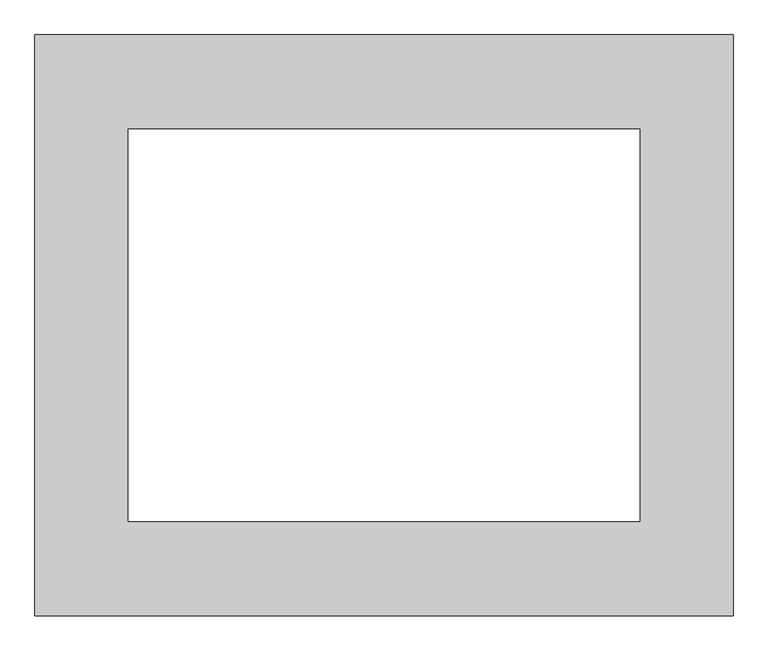
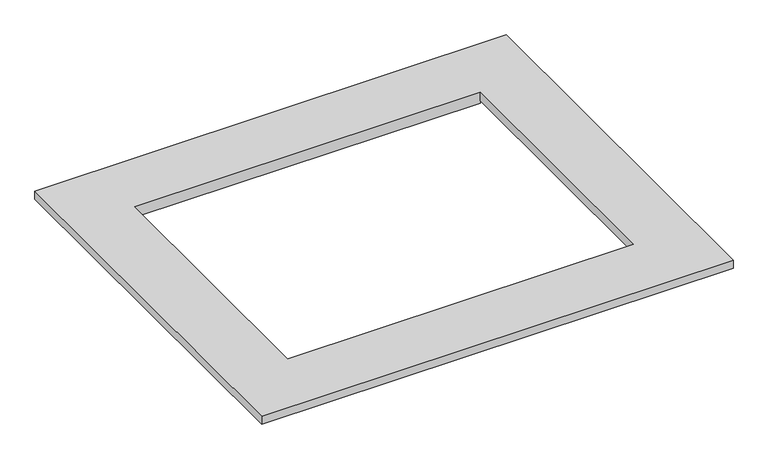
"""IFC4 building model written with IfcOpenShell, lengths in millimetres: proxy geometry."""

from ifc_helpers import new_model, si_unit, origin, place, context, project, spatial, faceted_brep, source, transform, mapped, element, save


def generic_models_29255b1c(model_context):
    return source(origin(), model_context, "Body", "Brep", [
        faceted_brep([(-687.3494, 572.3255, 25.4), (-687.3494, -572.3255, 25.4), (687.3494, -572.3255, 25.4), (687.3494, 572.3255, 25.4), (503.1994, 386.4229, 25.4), (503.1994, -386.4229, 25.4), (-503.1994, -386.4229, 25.4), (-503.1994, 386.4229, 25.4), (-687.3494, 572.3255, 0.0), (687.3494, 572.3255, 0.0), (687.3494, -572.3255, 0.0), (-687.3494, -572.3255, 0.0), (-503.1994, 386.4229, 0.0), (-503.1994, -386.4229, 0.0), (-503.1994, -387.4389, 0.0), (503.1994, -387.4389, 0.0), (503.1994, -386.4229, 0.0), (503.1994, 386.4229, 0.0), (503.1994, 387.4389, 0.0), (-503.1994, 387.4389, 0.0), (503.1994, -386.4229, -7.7978), (-503.1994, -386.4229, -7.7978), (-503.1994, 386.4229, -7.7978), (503.1994, 386.4229, -7.7978), (503.1994, 400.0373, -7.7978), (503.1994, 400.0373, -6.7818), (503.1994, 387.4389, -6.7818), (-503.1994, 387.4389, -6.7818), (-503.1994, 400.0373, -6.7818), (-503.1994, 400.0373, -7.7978), (503.1994, -387.4389, -6.7818), (503.1994, -400.0373, -6.7818), (503.1994, -400.0373, -7.7978), (-503.1994, -400.0373, -7.7978), (-503.1994, -400.0373, -6.7818), (-503.1994, -387.4389, -6.7818)], [[[0, 1, 2, 3], [4, 5, 6, 7]], [[8, 9, 10, 11], [12, 13, 14, 15, 16, 17, 18, 19]], [[1, 0, 8, 11]], [[2, 1, 11, 10]], [[3, 2, 10, 9]], [[0, 3, 9, 8]], [[5, 4, 17, 16]], [[6, 5, 16, 20, 21, 13]], [[7, 6, 13, 12]], [[4, 7, 12, 22, 23, 17]], [[23, 24, 25, 26, 18, 17]], [[27, 28, 29, 22, 12, 19]], [[26, 27, 19, 18]], [[26, 25, 28, 27]], [[25, 24, 29, 28]], [[24, 23, 22, 29]], [[30, 31, 32, 20, 16, 15]], [[21, 33, 34, 35, 14, 13]], [[35, 30, 15, 14]], [[31, 30, 35, 34]], [[32, 31, 34, 33]], [[20, 32, 33, 21]]]),
    ])


if __name__ == "__main__":
    model = new_model("IFC4")
    model_context = context("Model", 3, world=origin())
    ifc_project = project(units=[si_unit("LENGTHUNIT", "METRE", prefix="MILLI")], contexts=[model_context])
    site = spatial("IfcSite", under=ifc_project)
    building = spatial("IfcBuilding", under=site)
    placement = place(None, origin())
    generic_models_shape = generic_models_29255b1c(model_context)
    element("IfcBuildingElementProxy", 1, Name="Generic Models", at=placement, inside=building, context=model_context, shape_type="MappedRepresentation", body=[
        mapped(generic_models_shape, transform((0.0, 0.0, 0.0), x_axis=(1.0, 0.0, 0.0), y_axis=(0.0, 1.0, 0.0), z_axis=(0.0, 0.0, 1.0))),
    ])
    save(model, "model.ifc")
